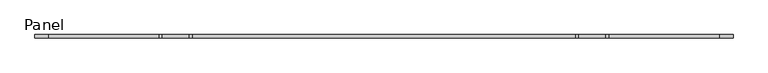
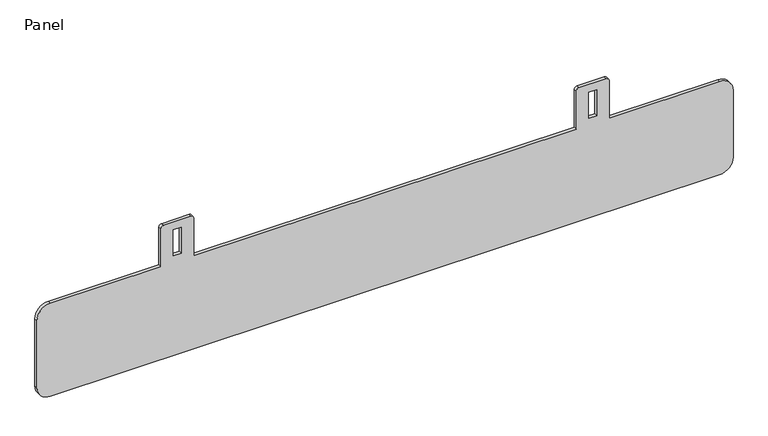
"""IFC4 building model written with IfcOpenShell, lengths in millimetres: furniture geometry, Panel."""

from ifc_helpers import new_model, si_unit, point, frame, frame_2d, origin, place, context, project, spatial, polyline, circle_curve, trimmed, segment, composite_curve, outline, extrude, source, transform, mapped, element, save


def panel_6511c343(model_context):
    return source(origin(), model_context, "Body", "SweptSolid", [
        extrude(outline(composite_curve([segment(polyline([(525.9797044, -410.0806245), (525.9797044, -612.0806313)]), True, "CONTINUOUS"), segment(trimmed(circle_curve(frame_2d((500.9797044, -612.0806313)), 25.0), [point((525.9797044, -612.0806313))], [point((500.9797044, -637.0806313))], False, "CARTESIAN"), True, "CONTINUOUS"), segment(polyline([(500.9797044, -637.0806313), (370.9796812, -637.0806313)]), True, "CONTINUOUS"), segment(trimmed(circle_curve(frame_2d((370.9796812, -612.0806313)), 25.0), [point((370.9796812, -637.0806313))], [point((345.9796812, -612.0806313))], False, "CARTESIAN"), True, "CONTINUOUS"), segment(polyline([(345.9796812, -612.0806313), (345.9796812, 612.0806313)]), True, "CONTINUOUS"), segment(trimmed(circle_curve(frame_2d((370.9796812, 612.0806313)), 25.0), [point((345.9796812, 612.0806313))], [point((370.9796812, 637.0806313))], False, "CARTESIAN"), True, "CONTINUOUS"), segment(polyline([(370.9796812, 637.0806313), (500.9797044, 637.0806313)]), True, "CONTINUOUS"), segment(trimmed(circle_curve(frame_2d((500.9797044, 612.0806313)), 25.0), [point((500.9797044, 637.0806313))], [point((525.9797044, 612.0806313))], False, "CARTESIAN"), True, "CONTINUOUS"), segment(polyline([(525.9797044, 612.0806313), (525.9797044, 410.0806245), (598.9797035, 410.0806245)]), True, "CONTINUOUS"), segment(trimmed(circle_curve(frame_2d((598.9797035, 405.0806245)), 5.0), [point((598.9797035, 410.0806245))], [point((603.9797035, 405.0806245))], False, "CARTESIAN"), True, "CONTINUOUS"), segment(polyline([(603.9797035, 405.0806245), (603.9797035, 355.080635)]), True, "CONTINUOUS"), segment(trimmed(circle_curve(frame_2d((598.9797035, 355.080635)), 5.0), [point((603.9797035, 355.080635))], [point((598.9797035, 350.080635))], False, "CARTESIAN"), True, "CONTINUOUS"), segment(polyline([(598.9797035, 350.080635), (525.9797044, 350.080635), (525.9797044, -350.080635), (598.9797035, -350.080635)]), True, "CONTINUOUS"), segment(trimmed(circle_curve(frame_2d((598.9797035, -355.080635)), 5.0), [point((598.9797035, -350.080635))], [point((603.9797035, -355.080635))], False, "CARTESIAN"), True, "CONTINUOUS"), segment(polyline([(603.9797035, -355.080635), (603.9797035, -405.0806245)]), True, "CONTINUOUS"), segment(trimmed(circle_curve(frame_2d((598.9797035, -405.0806245)), 5.0), [point((603.9797035, -405.0806245))], [point((598.9797035, -410.0806245))], False, "CARTESIAN"), True, "CONTINUOUS"), segment(polyline([(598.9797035, -410.0806245), (525.9797044, -410.0806245)]), True, "CONTINUOUS")], self_intersect=False), holes=[polyline([(588.9797107, -372.5801337), (538.9797103, -372.5801337), (538.9797103, -387.5801265), (588.9797107, -387.5801265), (588.9797107, -372.5801337)]), polyline([(588.9797107, 372.580061), (588.9797107, 387.5800539), (538.9797103, 387.5800539), (538.9797103, 372.580061), (588.9797107, 372.580061)])]), frame((0.0, -28.4898924, 0.0), z_axis=(0.0, 1.0, 0.0), x_axis=(0.0, 0.0, 1.0)), (0.0, 0.0, 1.0), 6.0025633),
    ])


if __name__ == "__main__":
    model = new_model("IFC4")
    model_context = context("Model", 3, world=origin())
    ifc_project = project(units=[si_unit("LENGTHUNIT", "METRE", prefix="MILLI")], contexts=[model_context])
    site = spatial("IfcSite", under=ifc_project)
    building = spatial("IfcBuilding", under=site)
    placement = place(None, origin())
    panel_shape = panel_6511c343(model_context)
    element("IfcFurniture", 1, ObjectType="Panel", at=placement, inside=building, context=model_context, shape_type="MappedRepresentation", body=[
        mapped(panel_shape, transform((0.0, 0.0, 0.0), x_axis=(1.0, 0.0, 0.0), y_axis=(0.0, 1.0, 0.0), z_axis=(0.0, 0.0, 1.0))),
    ])
    save(model, "model.ifc")
